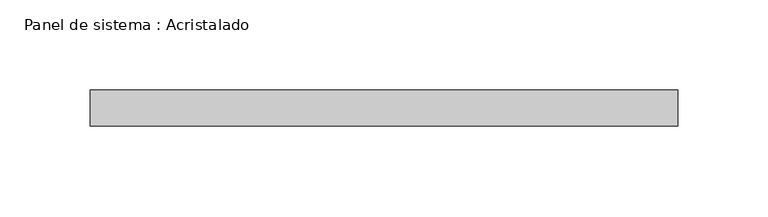
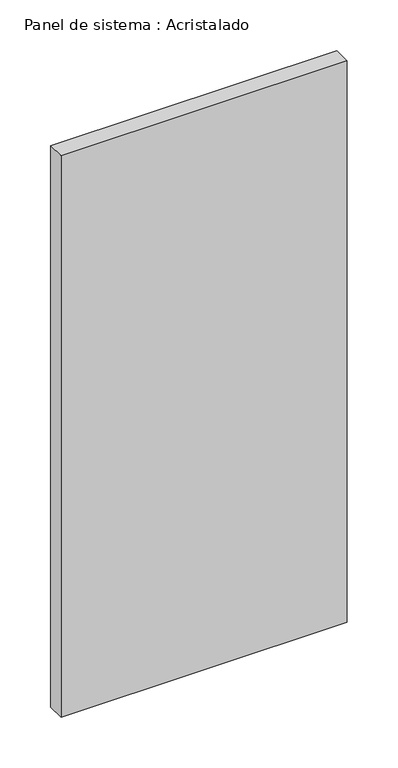
"""IFC4 building model written with IfcOpenShell, lengths in millimetres: plate geometry, Panel de sistema : Acristalado."""

import ifcopenshell
import ifcopenshell.guid

model = None  # the IFC model being written
_history = None  # IfcOwnerHistory: only IFC2X3 demands one
_inside = {}  # id of a spatial element -> (the spatial element, [elements in it])
_under = {}  # id of a project, library or spatial element -> (it, [spatial elements below it])
_declared = {}  # id of a project -> (the project, [libraries it declares])
_typed = {}  # id of a type object -> (the type object, [elements of that type])
_made_of = {}  # id of a material, layer set ... -> (it, [elements and type objects made of it])


def new_model(schema):
    """Start an empty IFC model of exactly this schema.

    Asked for "IFC4X3", IfcOpenShell would pick the latest addendum, in which some entities
    have other attributes; the version numbers below select the first issue.
    IFC2X3 requires an IfcOwnerHistory on every rooted entity: one is made here for all.
    """
    global model, _history
    if schema == "IFC4X3":
        model = ifcopenshell.file(schema_version=(4, 3, 0, 0))
    else:
        model = ifcopenshell.file(schema=schema)
    _inside.clear()
    _under.clear()
    _declared.clear()
    _typed.clear()
    _made_of.clear()
    _history = None
    if model.schema == "IFC2X3":
        org = make("IfcOrganization", Name="unknown")
        user = make(
            "IfcPersonAndOrganization",
            ThePerson=make("IfcPerson", FamilyName="unknown"),
            TheOrganization=org,
        )
        app = make(
            "IfcApplication",
            ApplicationDeveloper=org,
            Version="unknown",
            ApplicationFullName="unknown",
            ApplicationIdentifier="unknown",
        )
        _history = make(
            "IfcOwnerHistory",
            OwningUser=user,
            OwningApplication=app,
            ChangeAction="ADDED",
            CreationDate=0,
        )
    return model


def make(cls, **values):
    """One entity of the class cls with the attributes given. An attribute that is None is left unset."""
    return model.create_entity(
        cls, **{name: value for name, value in values.items() if value is not None}
    )


def rooted(cls, **values):
    """An entity with a GlobalId (a new one), such as an element, a storey or a relation."""
    return make(cls, GlobalId=ifcopenshell.guid.new(), OwnerHistory=_history, **values)


def si_unit(unit_type, name, prefix=None):
    """IfcSIUnit, for example si_unit("LENGTHUNIT", "METRE", prefix="MILLI")."""
    return make("IfcSIUnit", UnitType=unit_type, Prefix=prefix, Name=name)


def assignment(units):
    """IfcUnitAssignment: the units of a project."""
    return None if units is None else make("IfcUnitAssignment", Units=units)


def point(xyz):
    """IfcCartesianPoint."""
    return None if xyz is None else make("IfcCartesianPoint", Coordinates=xyz)


def direction(xyz):
    """IfcDirection."""
    return None if xyz is None else make("IfcDirection", DirectionRatios=xyz)


def frame(location, z_axis=None, x_axis=None):
    """IfcAxis2Placement3D, a coordinate frame: its origin and axes. An axis left out is left unset."""
    return make(
        "IfcAxis2Placement3D",
        Location=point(location),
        Axis=direction(z_axis),
        RefDirection=direction(x_axis),
    )


def origin():
    """The frame at (0, 0, 0) with its axes left unset."""
    return frame((0.0, 0.0, 0.0))


def origin_with_axes():
    """The frame at (0, 0, 0) with the z axis (0, 0, 1) and the x axis (1, 0, 0) written out."""
    return frame((0.0, 0.0, 0.0), z_axis=(0.0, 0.0, 1.0), x_axis=(1.0, 0.0, 0.0))


def place(relative_to, where):
    """IfcLocalPlacement: puts the frame where relative to a parent placement (None: the world)."""
    return make(
        "IfcLocalPlacement", PlacementRelTo=relative_to, RelativePlacement=where
    )


def context(
    kind, dimensions, precision=None, world=None, true_north=None, identifier=None
):
    """IfcGeometricRepresentationContext, for example the 3D "Model" context."""
    return make(
        "IfcGeometricRepresentationContext",
        ContextIdentifier=identifier,
        ContextType=kind,
        CoordinateSpaceDimension=dimensions,
        Precision=precision,
        WorldCoordinateSystem=world,
        TrueNorth=true_north,
    )


def project(units=None, contexts=None):
    """IfcProject with its units and contexts."""
    return rooted(
        "IfcProject",
        Name="project",
        RepresentationContexts=contexts,
        UnitsInContext=assignment(units),
    )


def spatial(cls, under=None, at=None, **own):
    """A site, building, storey or space (cls), placed at a placement, below another one or the project."""
    s = rooted(cls, ObjectPlacement=at, **own)
    if under is not None:
        _under.setdefault(under.id(), (under, []))[1].append(s)
    return s


def polyline(points):
    """IfcPolyline through the points."""
    return make("IfcPolyline", Points=[point(p) for p in points])


def outline(outer, holes=None, kind="AREA"):
    """IfcArbitraryClosedProfileDef: a profile drawn as a closed curve; with holes, ...WithVoids."""
    if holes is None:
        return make("IfcArbitraryClosedProfileDef", ProfileType=kind, OuterCurve=outer)
    return make(
        "IfcArbitraryProfileDefWithVoids",
        ProfileType=kind,
        OuterCurve=outer,
        InnerCurves=holes,
    )


def extrude(swept, where, along, depth):
    """IfcExtrudedAreaSolid: the profile swept, set in the frame where, extruded along a direction by depth."""
    return make(
        "IfcExtrudedAreaSolid",
        SweptArea=swept,
        Position=where,
        ExtrudedDirection=direction(along),
        Depth=depth,
    )


def shape(context_of_items, identifier, shape_type, items):
    """IfcShapeRepresentation: the items that make up one representation, for example the "Body"."""
    return make(
        "IfcShapeRepresentation",
        ContextOfItems=context_of_items,
        RepresentationIdentifier=identifier,
        RepresentationType=shape_type,
        Items=items,
    )


def source(mapping_origin, context_of_items, identifier, shape_type, items):
    """IfcRepresentationMap: a shape defined once, which mapped items show again and again."""
    return make(
        "IfcRepresentationMap",
        MappingOrigin=mapping_origin,
        MappedRepresentation=shape(context_of_items, identifier, shape_type, items),
    )


def transform(
    local_origin,
    x_axis=None,
    y_axis=None,
    z_axis=None,
    scale=None,
    scale2=None,
    scale3=None,
    uniform=True,
):
    """IfcCartesianTransformationOperator3D, or its non-uniform kind. x_axis, y_axis, z_axis: its Axis1, 2, 3."""
    if uniform:
        return make(
            "IfcCartesianTransformationOperator3D",
            Axis1=direction(x_axis),
            Axis2=direction(y_axis),
            LocalOrigin=point(local_origin),
            Scale=scale,
            Axis3=direction(z_axis),
        )
    return make(
        "IfcCartesianTransformationOperator3DnonUniform",
        Axis1=direction(x_axis),
        Axis2=direction(y_axis),
        LocalOrigin=point(local_origin),
        Scale=scale,
        Axis3=direction(z_axis),
        Scale2=scale2,
        Scale3=scale3,
    )


def mapped(mapping_source, mapping_target):
    """IfcMappedItem: shows the shape of a source again, moved by a transform."""
    return make(
        "IfcMappedItem", MappingSource=mapping_source, MappingTarget=mapping_target
    )


def made_of(thing, what):
    """Note that an element or type object is made of a material, layer set ...; save() writes the relation."""
    if what is not None:
        _made_of.setdefault(what.id(), (what, []))[1].append(thing)
    return thing


def element(
    cls,
    number,
    at=None,
    inside=None,
    cuts=None,
    type_object=None,
    material=None,
    context=None,
    identifier="Body",
    shape_type=None,
    held_by="IfcProductDefinitionShape",
    body=None,
    shapes=None,
    **own,
):
    """One element of the class cls, such as IfcWall. Its Tag is "e" and its number.

    at: its placement. inside: the storey or other place that contains it. cuts: it is an
    opening in that element (IfcRelVoidsElement). A single representation is given by context,
    identifier, shape_type and body (its items); several are given by shapes. held_by: the class
    of the entity that holds the representations. save() writes the other relations.
    """
    e = rooted(cls, Tag="e%d" % number, ObjectPlacement=at, **own)
    if body is not None:
        shapes = [shape(context, identifier, shape_type, body)]
    if shapes is not None:
        e.Representation = make(held_by, Representations=shapes)
    if inside is not None:
        _inside.setdefault(inside.id(), (inside, []))[1].append(e)
    if cuts is not None:
        rooted(
            "IfcRelVoidsElement", RelatingBuildingElement=cuts, RelatedOpeningElement=e
        )
    if type_object is not None:
        _typed.setdefault(type_object.id(), (type_object, []))[1].append(e)
    return made_of(e, material)


def aggregate(whole, parts):
    """IfcRelAggregates: a whole, such as a stair, and the parts it consists of."""
    return rooted("IfcRelAggregates", RelatingObject=whole, RelatedObjects=parts)


def save(model, path):
    """Write the relations noted so far, then the file.

    IfcRelAggregates (storeys below a building ...), IfcRelContainedInSpatialStructure (elements
    in a storey), IfcRelDefinesByType, IfcRelAssociatesMaterial and IfcRelDeclares: one each for
    every whole, place, type object, material and project.
    """
    for whole, parts in _under.values():
        aggregate(whole, parts)
    for where, things in _inside.values():
        rooted(
            "IfcRelContainedInSpatialStructure",
            RelatedElements=things,
            RelatingStructure=where,
        )
    for kind, things in _typed.values():
        rooted("IfcRelDefinesByType", RelatedObjects=things, RelatingType=kind)
    for what, things in _made_of.values():
        rooted("IfcRelAssociatesMaterial", RelatedObjects=things, RelatingMaterial=what)
    for by, libraries in _declared.values():
        rooted("IfcRelDeclares", RelatingContext=by, RelatedDefinitions=libraries)
    model.write(path)


def panel_de_sistema_acristalado_328cda65(model_context):
    return source(origin(), model_context, "Body", "SweptSolid", [
        extrude(outline(polyline([(162.5, -10.0), (-162.5, -10.0), (-162.5, 10.0), (162.5, 10.0), (162.5, -10.0)])), origin_with_axes(), (0.0, 0.0, 1.0), 673.7704445),
    ])


if __name__ == "__main__":
    model = new_model("IFC4")
    model_context = context("Model", 3, world=origin())
    ifc_project = project(units=[si_unit("LENGTHUNIT", "METRE", prefix="MILLI")], contexts=[model_context])
    site = spatial("IfcSite", under=ifc_project)
    building = spatial("IfcBuilding", under=site)
    placement = place(None, origin())
    panel_de_sistema_acristalado_shape = panel_de_sistema_acristalado_328cda65(model_context)
    element("IfcPlate", 1, ObjectType="Panel de sistema : Acristalado", at=placement, inside=building, context=model_context, shape_type="MappedRepresentation", body=[
        mapped(panel_de_sistema_acristalado_shape, transform((0.0, 0.0, 0.0), x_axis=(1.0, 0.0, 0.0), y_axis=(0.0, 1.0, 0.0), z_axis=(0.0, 0.0, 1.0))),
    ])
    save(model, "model.ifc")
